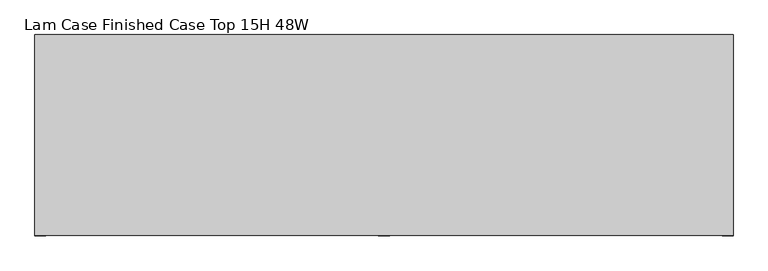
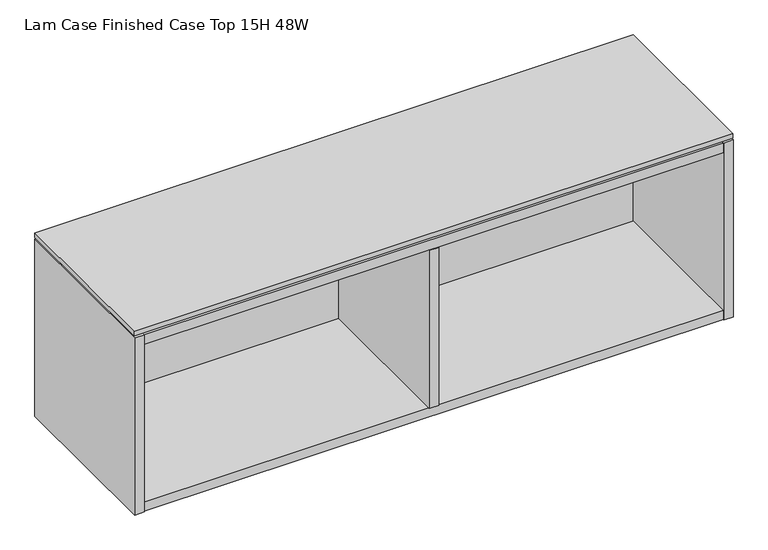
"""IFC4 building model written with IfcOpenShell, lengths in millimetres: furniture geometry, Lam Case Finished Case Top 15H 48W."""

import ifcopenshell
import ifcopenshell.guid

model = None  # the IFC model being written
_history = None  # IfcOwnerHistory: only IFC2X3 demands one
_inside = {}  # id of a spatial element -> (the spatial element, [elements in it])
_under = {}  # id of a project, library or spatial element -> (it, [spatial elements below it])
_declared = {}  # id of a project -> (the project, [libraries it declares])
_typed = {}  # id of a type object -> (the type object, [elements of that type])
_made_of = {}  # id of a material, layer set ... -> (it, [elements and type objects made of it])


def new_model(schema):
    """Start an empty IFC model of exactly this schema.

    Asked for "IFC4X3", IfcOpenShell would pick the latest addendum, in which some entities
    have other attributes; the version numbers below select the first issue.
    IFC2X3 requires an IfcOwnerHistory on every rooted entity: one is made here for all.
    """
    global model, _history
    if schema == "IFC4X3":
        model = ifcopenshell.file(schema_version=(4, 3, 0, 0))
    else:
        model = ifcopenshell.file(schema=schema)
    _inside.clear()
    _under.clear()
    _declared.clear()
    _typed.clear()
    _made_of.clear()
    _history = None
    if model.schema == "IFC2X3":
        org = make("IfcOrganization", Name="unknown")
        user = make(
            "IfcPersonAndOrganization",
            ThePerson=make("IfcPerson", FamilyName="unknown"),
            TheOrganization=org,
        )
        app = make(
            "IfcApplication",
            ApplicationDeveloper=org,
            Version="unknown",
            ApplicationFullName="unknown",
            ApplicationIdentifier="unknown",
        )
        _history = make(
            "IfcOwnerHistory",
            OwningUser=user,
            OwningApplication=app,
            ChangeAction="ADDED",
            CreationDate=0,
        )
    return model


def make(cls, **values):
    """One entity of the class cls with the attributes given. An attribute that is None is left unset."""
    return model.create_entity(
        cls, **{name: value for name, value in values.items() if value is not None}
    )


def rooted(cls, **values):
    """An entity with a GlobalId (a new one), such as an element, a storey or a relation."""
    return make(cls, GlobalId=ifcopenshell.guid.new(), OwnerHistory=_history, **values)


def si_unit(unit_type, name, prefix=None):
    """IfcSIUnit, for example si_unit("LENGTHUNIT", "METRE", prefix="MILLI")."""
    return make("IfcSIUnit", UnitType=unit_type, Prefix=prefix, Name=name)


def assignment(units):
    """IfcUnitAssignment: the units of a project."""
    return None if units is None else make("IfcUnitAssignment", Units=units)


def point(xyz):
    """IfcCartesianPoint."""
    return None if xyz is None else make("IfcCartesianPoint", Coordinates=xyz)


def direction(xyz):
    """IfcDirection."""
    return None if xyz is None else make("IfcDirection", DirectionRatios=xyz)


def frame(location, z_axis=None, x_axis=None):
    """IfcAxis2Placement3D, a coordinate frame: its origin and axes. An axis left out is left unset."""
    return make(
        "IfcAxis2Placement3D",
        Location=point(location),
        Axis=direction(z_axis),
        RefDirection=direction(x_axis),
    )


def origin():
    """The frame at (0, 0, 0) with its axes left unset."""
    return frame((0.0, 0.0, 0.0))


def place(relative_to, where):
    """IfcLocalPlacement: puts the frame where relative to a parent placement (None: the world)."""
    return make(
        "IfcLocalPlacement", PlacementRelTo=relative_to, RelativePlacement=where
    )


def context(
    kind, dimensions, precision=None, world=None, true_north=None, identifier=None
):
    """IfcGeometricRepresentationContext, for example the 3D "Model" context."""
    return make(
        "IfcGeometricRepresentationContext",
        ContextIdentifier=identifier,
        ContextType=kind,
        CoordinateSpaceDimension=dimensions,
        Precision=precision,
        WorldCoordinateSystem=world,
        TrueNorth=true_north,
    )


def project(units=None, contexts=None):
    """IfcProject with its units and contexts."""
    return rooted(
        "IfcProject",
        Name="project",
        RepresentationContexts=contexts,
        UnitsInContext=assignment(units),
    )


def spatial(cls, under=None, at=None, **own):
    """A site, building, storey or space (cls), placed at a placement, below another one or the project."""
    s = rooted(cls, ObjectPlacement=at, **own)
    if under is not None:
        _under.setdefault(under.id(), (under, []))[1].append(s)
    return s


def polyline(points):
    """IfcPolyline through the points."""
    return make("IfcPolyline", Points=[point(p) for p in points])


def outline(outer, holes=None, kind="AREA"):
    """IfcArbitraryClosedProfileDef: a profile drawn as a closed curve; with holes, ...WithVoids."""
    if holes is None:
        return make("IfcArbitraryClosedProfileDef", ProfileType=kind, OuterCurve=outer)
    return make(
        "IfcArbitraryProfileDefWithVoids",
        ProfileType=kind,
        OuterCurve=outer,
        InnerCurves=holes,
    )


def extrude(swept, where, along, depth):
    """IfcExtrudedAreaSolid: the profile swept, set in the frame where, extruded along a direction by depth."""
    return make(
        "IfcExtrudedAreaSolid",
        SweptArea=swept,
        Position=where,
        ExtrudedDirection=direction(along),
        Depth=depth,
    )


def faces_of(points, faces, orient=None, outer=None):
    """IfcFace entities. A face is a list of loops; a loop is a list of indices into points, from 0.

    orient and outer hold one flag for each loop. By default every Orientation is true, the
    first loop of a face is its IfcFaceOuterBound and the others are IfcFaceBound.
    """
    made = []
    for i, loops in enumerate(faces):
        bounds = []
        for j, loop in enumerate(loops):
            is_outer = j == 0 if outer is None else outer[i][j]
            bounds.append(
                make(
                    "IfcFaceOuterBound" if is_outer else "IfcFaceBound",
                    Bound=make("IfcPolyLoop", Polygon=[points[k] for k in loop]),
                    Orientation=True if orient is None else orient[i][j],
                )
            )
        made.append(make("IfcFace", Bounds=bounds))
    return made


def faceted_brep(points, faces, orient=None, outer=None, voids=None):
    """IfcFacetedBrep: a solid bounded by flat faces; with voids (closed shells), ...WithVoids."""
    shared = [point(p) for p in points]
    hull = make("IfcClosedShell", CfsFaces=faces_of(shared, faces, orient, outer))
    if voids is None:
        return make("IfcFacetedBrep", Outer=hull)
    return make(
        "IfcFacetedBrepWithVoids",
        Outer=hull,
        Voids=[
            make(cls, CfsFaces=faces_of(shared, fs, o, b)) for cls, fs, o, b in voids
        ],
    )


def shape(context_of_items, identifier, shape_type, items):
    """IfcShapeRepresentation: the items that make up one representation, for example the "Body"."""
    return make(
        "IfcShapeRepresentation",
        ContextOfItems=context_of_items,
        RepresentationIdentifier=identifier,
        RepresentationType=shape_type,
        Items=items,
    )


def source(mapping_origin, context_of_items, identifier, shape_type, items):
    """IfcRepresentationMap: a shape defined once, which mapped items show again and again."""
    return make(
        "IfcRepresentationMap",
        MappingOrigin=mapping_origin,
        MappedRepresentation=shape(context_of_items, identifier, shape_type, items),
    )


def transform(
    local_origin,
    x_axis=None,
    y_axis=None,
    z_axis=None,
    scale=None,
    scale2=None,
    scale3=None,
    uniform=True,
):
    """IfcCartesianTransformationOperator3D, or its non-uniform kind. x_axis, y_axis, z_axis: its Axis1, 2, 3."""
    if uniform:
        return make(
            "IfcCartesianTransformationOperator3D",
            Axis1=direction(x_axis),
            Axis2=direction(y_axis),
            LocalOrigin=point(local_origin),
            Scale=scale,
            Axis3=direction(z_axis),
        )
    return make(
        "IfcCartesianTransformationOperator3DnonUniform",
        Axis1=direction(x_axis),
        Axis2=direction(y_axis),
        LocalOrigin=point(local_origin),
        Scale=scale,
        Axis3=direction(z_axis),
        Scale2=scale2,
        Scale3=scale3,
    )


def mapped(mapping_source, mapping_target):
    """IfcMappedItem: shows the shape of a source again, moved by a transform."""
    return make(
        "IfcMappedItem", MappingSource=mapping_source, MappingTarget=mapping_target
    )


def made_of(thing, what):
    """Note that an element or type object is made of a material, layer set ...; save() writes the relation."""
    if what is not None:
        _made_of.setdefault(what.id(), (what, []))[1].append(thing)
    return thing


def element(
    cls,
    number,
    at=None,
    inside=None,
    cuts=None,
    type_object=None,
    material=None,
    context=None,
    identifier="Body",
    shape_type=None,
    held_by="IfcProductDefinitionShape",
    body=None,
    shapes=None,
    **own,
):
    """One element of the class cls, such as IfcWall. Its Tag is "e" and its number.

    at: its placement. inside: the storey or other place that contains it. cuts: it is an
    opening in that element (IfcRelVoidsElement). A single representation is given by context,
    identifier, shape_type and body (its items); several are given by shapes. held_by: the class
    of the entity that holds the representations. save() writes the other relations.
    """
    e = rooted(cls, Tag="e%d" % number, ObjectPlacement=at, **own)
    if body is not None:
        shapes = [shape(context, identifier, shape_type, body)]
    if shapes is not None:
        e.Representation = make(held_by, Representations=shapes)
    if inside is not None:
        _inside.setdefault(inside.id(), (inside, []))[1].append(e)
    if cuts is not None:
        rooted(
            "IfcRelVoidsElement", RelatingBuildingElement=cuts, RelatedOpeningElement=e
        )
    if type_object is not None:
        _typed.setdefault(type_object.id(), (type_object, []))[1].append(e)
    return made_of(e, material)


def aggregate(whole, parts):
    """IfcRelAggregates: a whole, such as a stair, and the parts it consists of."""
    return rooted("IfcRelAggregates", RelatingObject=whole, RelatedObjects=parts)


def save(model, path):
    """Write the relations noted so far, then the file.

    IfcRelAggregates (storeys below a building ...), IfcRelContainedInSpatialStructure (elements
    in a storey), IfcRelDefinesByType, IfcRelAssociatesMaterial and IfcRelDeclares: one each for
    every whole, place, type object, material and project.
    """
    for whole, parts in _under.values():
        aggregate(whole, parts)
    for where, things in _inside.values():
        rooted(
            "IfcRelContainedInSpatialStructure",
            RelatedElements=things,
            RelatingStructure=where,
        )
    for kind, things in _typed.values():
        rooted("IfcRelDefinesByType", RelatedObjects=things, RelatingType=kind)
    for what, things in _made_of.values():
        rooted("IfcRelAssociatesMaterial", RelatedObjects=things, RelatingMaterial=what)
    for by, libraries in _declared.values():
        rooted("IfcRelDeclares", RelatingContext=by, RelatedDefinitions=libraries)
    model.write(path)


def lam_case_finished_case_top_15h_48w_5c47abb1(model_context):
    return source(origin(), model_context, "Body", "SolidModel", [
        extrude(outline(polyline([(759.0234375, -191.0115724), (-457.2, -191.0115724), (-457.2, 158.8226276), (759.0234375, 158.8226276), (759.0234375, -191.0115724)])), frame((0.0, 0.0, 1425.702), z_axis=(0.0, 0.0, 1.0), x_axis=(1.0, 0.0, 0.0)), (0.0, 0.0, 1.0), 9.779),
        extrude(outline(polyline([(160.5637187, -191.7735724), (141.2597187, -191.7735724), (141.2597187, 126.2242676), (160.5637187, 126.2242676), (160.5637187, -191.7735724)])), frame((0.0, 0.0, 1061.466), z_axis=(0.0, 0.0, 1.0), x_axis=(1.0, 0.0, 0.0)), (0.0, 0.0, 1.0), 339.24875),
        faceted_brep([(739.7194375, -191.0115724, 1061.466), (-437.896, -191.0115724, 1061.466), (-437.896, -191.0115724, 1042.162), (739.7194375, -191.0115724, 1042.162), (-437.896, 145.5282676, 1400.71475), (739.7194375, 145.5282676, 1400.71475), (739.7194375, 145.5282676, 1041.4), (-437.896, 145.5282676, 1041.4), (739.7194375, 126.2242676, 1061.466), (-437.896, 126.2242676, 1061.466), (-437.896, 126.2242676, 1042.162), (739.7194375, 126.2242676, 1042.162), (-437.896, 158.8226276, 1422.4), (-457.2, 158.8226276, 1422.4), (-457.2, -191.7735724, 1422.4), (-437.896, -191.7735724, 1422.4), (739.7194375, -191.7735724, 1422.4), (759.0234375, -191.7735724, 1422.4), (759.0234375, 158.8226276, 1422.4), (739.7194375, 158.8226276, 1422.4), (-437.896, -191.7735724, 1041.4), (-457.2, -191.7735724, 1041.4), (-457.2, 158.8226276, 1041.4), (-437.896, 158.8226276, 1041.4), (739.7194375, 158.8226276, 1041.4), (759.0234375, 158.8226276, 1041.4), (759.0234375, -191.7735724, 1041.4), (739.7194375, -191.7735724, 1041.4), (739.7194375, 126.2242676, 1041.4), (-437.896, 126.2242676, 1041.4), (-437.896, 158.8226276, 1421.638), (739.7194375, 158.8226276, 1421.638), (739.7194375, 158.8226276, 1400.71475), (-437.896, 158.8226276, 1400.71475), (-437.896, 126.2242676, 1400.71475), (-437.896, -191.0115724, 1400.71475), (-437.896, -191.0115724, 1421.638), (739.7194375, -191.0115724, 1421.638), (739.7194375, -191.0115724, 1400.71475), (739.7194375, 126.2242676, 1400.71475)], [[[0, 1, 2, 3]], [[4, 5, 6, 7]], [[1, 0, 8, 9]], [[3, 2, 10, 11]], [[12, 13, 14, 15]], [[16, 17, 18, 19]], [[20, 21, 22, 23, 7, 6, 24, 25, 26, 27, 28, 29]], [[13, 12, 30, 31, 19, 18, 25, 24, 32, 33, 23, 22]], [[14, 13, 22, 21]], [[15, 14, 21, 20]], [[4, 7, 23, 33]], [[12, 15, 20, 29, 10, 2, 1, 9, 34, 35, 36, 30]], [[6, 5, 32, 24]], [[16, 19, 31, 37, 38, 39, 8, 0, 3, 11, 28, 27]], [[17, 16, 27, 26]], [[18, 17, 26, 25]], [[37, 36, 35, 38]], [[36, 37, 31, 30]], [[33, 32, 5, 4]], [[38, 35, 34, 39]], [[9, 8, 39, 34]], [[29, 28, 11, 10]]]),
    ])


if __name__ == "__main__":
    model = new_model("IFC4")
    model_context = context("Model", 3, world=origin())
    ifc_project = project(units=[si_unit("LENGTHUNIT", "METRE", prefix="MILLI")], contexts=[model_context])
    site = spatial("IfcSite", under=ifc_project)
    building = spatial("IfcBuilding", under=site)
    placement = place(None, origin())
    lam_case_finished_case_top_15h_48w_shape = lam_case_finished_case_top_15h_48w_5c47abb1(model_context)
    element("IfcFurniture", 1, ObjectType="Lam Case Finished Case Top 15H 48W", at=placement, inside=building, context=model_context, shape_type="MappedRepresentation", body=[
        mapped(lam_case_finished_case_top_15h_48w_shape, transform((0.0, 0.0, 0.0), x_axis=(1.0, 0.0, 0.0), y_axis=(0.0, 1.0, 0.0), z_axis=(0.0, 0.0, 1.0))),
    ])
    save(model, "model.ifc")
